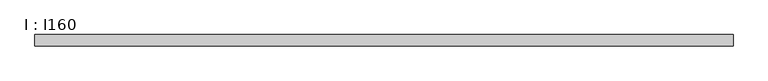
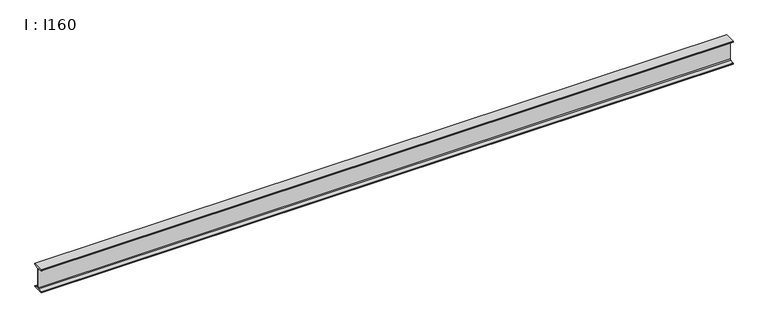
"""IFC4 building model written with IfcOpenShell, lengths in millimetres: beam geometry, I : I160."""

from ifc_helpers import new_model, si_unit, point, frame, frame_2d, origin, place, context, project, spatial, polyline, circle_curve, trimmed, segment, composite_curve, outline, extrude, source, transform, mapped, element, save


def i_i160_f0ce82e1(model_context):
    return source(origin(), model_context, "Body", "SweptSolid", [
        extrude(outline(composite_curve([segment(polyline([(-37.0, 80.0), (37.0, 80.0), (37.0, 76.3951649)]), True, "CONTINUOUS"), segment(trimmed(circle_curve(frame_2d((33.2, 76.3951649)), 3.8), [point((37.0, 76.3951649))], [point((33.7268874, 72.6318698))], False, "CARTESIAN"), True, "CONTINUOUS"), segment(polyline([(33.7268874, 72.6318698), (8.5764762, 69.1106379)]), True, "CONTINUOUS"), segment(trimmed(circle_curve(frame_2d((9.45, 62.8714908)), 6.3), [point((8.5764762, 69.1106379))], [point((3.15, 62.8714908))], True, "CARTESIAN"), True, "CONTINUOUS"), segment(polyline([(3.15, 62.8714908), (3.15, -62.8714908)]), True, "CONTINUOUS"), segment(trimmed(circle_curve(frame_2d((9.45, -62.8714908)), 6.3), [point((3.15, -62.8714908))], [point((8.5764762, -69.1106379))], True, "CARTESIAN"), True, "CONTINUOUS"), segment(polyline([(8.5764762, -69.1106379), (33.7268874, -72.6318698)]), True, "CONTINUOUS"), segment(trimmed(circle_curve(frame_2d((33.2, -76.3951649)), 3.8), [point((33.7268874, -72.6318698))], [point((37.0, -76.3951649))], False, "CARTESIAN"), True, "CONTINUOUS"), segment(polyline([(37.0, -76.3951649), (37.0, -80.0), (-37.0, -80.0), (-37.0, -76.3951649)]), True, "CONTINUOUS"), segment(trimmed(circle_curve(frame_2d((-33.2, -76.3951649)), 3.8), [point((-37.0, -76.3951649))], [point((-33.7268874, -72.6318698))], False, "CARTESIAN"), True, "CONTINUOUS"), segment(polyline([(-33.7268874, -72.6318698), (-8.5764762, -69.1106379)]), True, "CONTINUOUS"), segment(trimmed(circle_curve(frame_2d((-9.45, -62.8714908)), 6.3), [point((-8.5764762, -69.1106379))], [point((-3.15, -62.8714908))], True, "CARTESIAN"), True, "CONTINUOUS"), segment(polyline([(-3.15, -62.8714908), (-3.15, 62.8714908)]), True, "CONTINUOUS"), segment(trimmed(circle_curve(frame_2d((-9.45, 62.8714908)), 6.3), [point((-3.15, 62.8714908))], [point((-8.5764762, 69.1106379))], True, "CARTESIAN"), True, "CONTINUOUS"), segment(polyline([(-8.5764762, 69.1106379), (-33.7268874, 72.6318698)]), True, "CONTINUOUS"), segment(trimmed(circle_curve(frame_2d((-33.2, 76.3951649)), 3.8), [point((-33.7268874, 72.6318698))], [point((-37.0, 76.3951649))], False, "CARTESIAN"), True, "CONTINUOUS"), segment(polyline([(-37.0, 76.3951649), (-37.0, 80.0)]), True, "CONTINUOUS")], self_intersect=False)), frame((-2875.0, 0.0, 0.0), z_axis=(1.0, 0.0, 0.0), x_axis=(0.0, 1.0, 0.0)), (0.0, 0.0, 1.0), 4550.0),
    ])


if __name__ == "__main__":
    model = new_model("IFC4")
    model_context = context("Model", 3, world=origin())
    ifc_project = project(units=[si_unit("LENGTHUNIT", "METRE", prefix="MILLI")], contexts=[model_context])
    site = spatial("IfcSite", under=ifc_project)
    building = spatial("IfcBuilding", under=site)
    placement = place(None, origin())
    i_i160_shape = i_i160_f0ce82e1(model_context)
    element("IfcBeam", 1, ObjectType="I : I160", at=placement, inside=building, context=model_context, shape_type="MappedRepresentation", body=[
        mapped(i_i160_shape, transform((0.0, 0.0, 0.0), x_axis=(1.0, 0.0, 0.0), y_axis=(0.0, 1.0, 0.0), z_axis=(0.0, 0.0, 1.0))),
    ])
    save(model, "model.ifc")
